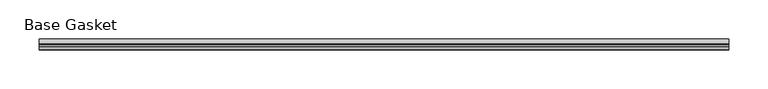
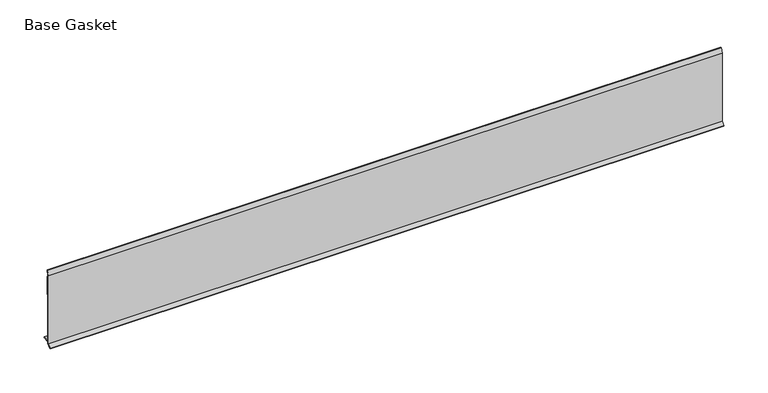
"""IFC4 building model written with IfcOpenShell, lengths in millimetres: furniture geometry, Base Gasket."""

import ifcopenshell
import ifcopenshell.guid

model = None  # the IFC model being written
_history = None  # IfcOwnerHistory: only IFC2X3 demands one
_inside = {}  # id of a spatial element -> (the spatial element, [elements in it])
_under = {}  # id of a project, library or spatial element -> (it, [spatial elements below it])
_declared = {}  # id of a project -> (the project, [libraries it declares])
_typed = {}  # id of a type object -> (the type object, [elements of that type])
_made_of = {}  # id of a material, layer set ... -> (it, [elements and type objects made of it])


def new_model(schema):
    """Start an empty IFC model of exactly this schema.

    Asked for "IFC4X3", IfcOpenShell would pick the latest addendum, in which some entities
    have other attributes; the version numbers below select the first issue.
    IFC2X3 requires an IfcOwnerHistory on every rooted entity: one is made here for all.
    """
    global model, _history
    if schema == "IFC4X3":
        model = ifcopenshell.file(schema_version=(4, 3, 0, 0))
    else:
        model = ifcopenshell.file(schema=schema)
    _inside.clear()
    _under.clear()
    _declared.clear()
    _typed.clear()
    _made_of.clear()
    _history = None
    if model.schema == "IFC2X3":
        org = make("IfcOrganization", Name="unknown")
        user = make(
            "IfcPersonAndOrganization",
            ThePerson=make("IfcPerson", FamilyName="unknown"),
            TheOrganization=org,
        )
        app = make(
            "IfcApplication",
            ApplicationDeveloper=org,
            Version="unknown",
            ApplicationFullName="unknown",
            ApplicationIdentifier="unknown",
        )
        _history = make(
            "IfcOwnerHistory",
            OwningUser=user,
            OwningApplication=app,
            ChangeAction="ADDED",
            CreationDate=0,
        )
    return model


def make(cls, **values):
    """One entity of the class cls with the attributes given. An attribute that is None is left unset."""
    return model.create_entity(
        cls, **{name: value for name, value in values.items() if value is not None}
    )


def rooted(cls, **values):
    """An entity with a GlobalId (a new one), such as an element, a storey or a relation."""
    return make(cls, GlobalId=ifcopenshell.guid.new(), OwnerHistory=_history, **values)


def si_unit(unit_type, name, prefix=None):
    """IfcSIUnit, for example si_unit("LENGTHUNIT", "METRE", prefix="MILLI")."""
    return make("IfcSIUnit", UnitType=unit_type, Prefix=prefix, Name=name)


def assignment(units):
    """IfcUnitAssignment: the units of a project."""
    return None if units is None else make("IfcUnitAssignment", Units=units)


def point(xyz):
    """IfcCartesianPoint."""
    return None if xyz is None else make("IfcCartesianPoint", Coordinates=xyz)


def direction(xyz):
    """IfcDirection."""
    return None if xyz is None else make("IfcDirection", DirectionRatios=xyz)


def frame(location, z_axis=None, x_axis=None):
    """IfcAxis2Placement3D, a coordinate frame: its origin and axes. An axis left out is left unset."""
    return make(
        "IfcAxis2Placement3D",
        Location=point(location),
        Axis=direction(z_axis),
        RefDirection=direction(x_axis),
    )


def origin():
    """The frame at (0, 0, 0) with its axes left unset."""
    return frame((0.0, 0.0, 0.0))


def place(relative_to, where):
    """IfcLocalPlacement: puts the frame where relative to a parent placement (None: the world)."""
    return make(
        "IfcLocalPlacement", PlacementRelTo=relative_to, RelativePlacement=where
    )


def context(
    kind, dimensions, precision=None, world=None, true_north=None, identifier=None
):
    """IfcGeometricRepresentationContext, for example the 3D "Model" context."""
    return make(
        "IfcGeometricRepresentationContext",
        ContextIdentifier=identifier,
        ContextType=kind,
        CoordinateSpaceDimension=dimensions,
        Precision=precision,
        WorldCoordinateSystem=world,
        TrueNorth=true_north,
    )


def project(units=None, contexts=None):
    """IfcProject with its units and contexts."""
    return rooted(
        "IfcProject",
        Name="project",
        RepresentationContexts=contexts,
        UnitsInContext=assignment(units),
    )


def spatial(cls, under=None, at=None, **own):
    """A site, building, storey or space (cls), placed at a placement, below another one or the project."""
    s = rooted(cls, ObjectPlacement=at, **own)
    if under is not None:
        _under.setdefault(under.id(), (under, []))[1].append(s)
    return s


def polyline(points):
    """IfcPolyline through the points."""
    return make("IfcPolyline", Points=[point(p) for p in points])


def outline(outer, holes=None, kind="AREA"):
    """IfcArbitraryClosedProfileDef: a profile drawn as a closed curve; with holes, ...WithVoids."""
    if holes is None:
        return make("IfcArbitraryClosedProfileDef", ProfileType=kind, OuterCurve=outer)
    return make(
        "IfcArbitraryProfileDefWithVoids",
        ProfileType=kind,
        OuterCurve=outer,
        InnerCurves=holes,
    )


def extrude(swept, where, along, depth):
    """IfcExtrudedAreaSolid: the profile swept, set in the frame where, extruded along a direction by depth."""
    return make(
        "IfcExtrudedAreaSolid",
        SweptArea=swept,
        Position=where,
        ExtrudedDirection=direction(along),
        Depth=depth,
    )


def shape(context_of_items, identifier, shape_type, items):
    """IfcShapeRepresentation: the items that make up one representation, for example the "Body"."""
    return make(
        "IfcShapeRepresentation",
        ContextOfItems=context_of_items,
        RepresentationIdentifier=identifier,
        RepresentationType=shape_type,
        Items=items,
    )


def source(mapping_origin, context_of_items, identifier, shape_type, items):
    """IfcRepresentationMap: a shape defined once, which mapped items show again and again."""
    return make(
        "IfcRepresentationMap",
        MappingOrigin=mapping_origin,
        MappedRepresentation=shape(context_of_items, identifier, shape_type, items),
    )


def transform(
    local_origin,
    x_axis=None,
    y_axis=None,
    z_axis=None,
    scale=None,
    scale2=None,
    scale3=None,
    uniform=True,
):
    """IfcCartesianTransformationOperator3D, or its non-uniform kind. x_axis, y_axis, z_axis: its Axis1, 2, 3."""
    if uniform:
        return make(
            "IfcCartesianTransformationOperator3D",
            Axis1=direction(x_axis),
            Axis2=direction(y_axis),
            LocalOrigin=point(local_origin),
            Scale=scale,
            Axis3=direction(z_axis),
        )
    return make(
        "IfcCartesianTransformationOperator3DnonUniform",
        Axis1=direction(x_axis),
        Axis2=direction(y_axis),
        LocalOrigin=point(local_origin),
        Scale=scale,
        Axis3=direction(z_axis),
        Scale2=scale2,
        Scale3=scale3,
    )


def mapped(mapping_source, mapping_target):
    """IfcMappedItem: shows the shape of a source again, moved by a transform."""
    return make(
        "IfcMappedItem", MappingSource=mapping_source, MappingTarget=mapping_target
    )


def made_of(thing, what):
    """Note that an element or type object is made of a material, layer set ...; save() writes the relation."""
    if what is not None:
        _made_of.setdefault(what.id(), (what, []))[1].append(thing)
    return thing


def element(
    cls,
    number,
    at=None,
    inside=None,
    cuts=None,
    type_object=None,
    material=None,
    context=None,
    identifier="Body",
    shape_type=None,
    held_by="IfcProductDefinitionShape",
    body=None,
    shapes=None,
    **own,
):
    """One element of the class cls, such as IfcWall. Its Tag is "e" and its number.

    at: its placement. inside: the storey or other place that contains it. cuts: it is an
    opening in that element (IfcRelVoidsElement). A single representation is given by context,
    identifier, shape_type and body (its items); several are given by shapes. held_by: the class
    of the entity that holds the representations. save() writes the other relations.
    """
    e = rooted(cls, Tag="e%d" % number, ObjectPlacement=at, **own)
    if body is not None:
        shapes = [shape(context, identifier, shape_type, body)]
    if shapes is not None:
        e.Representation = make(held_by, Representations=shapes)
    if inside is not None:
        _inside.setdefault(inside.id(), (inside, []))[1].append(e)
    if cuts is not None:
        rooted(
            "IfcRelVoidsElement", RelatingBuildingElement=cuts, RelatedOpeningElement=e
        )
    if type_object is not None:
        _typed.setdefault(type_object.id(), (type_object, []))[1].append(e)
    return made_of(e, material)


def aggregate(whole, parts):
    """IfcRelAggregates: a whole, such as a stair, and the parts it consists of."""
    return rooted("IfcRelAggregates", RelatingObject=whole, RelatedObjects=parts)


def save(model, path):
    """Write the relations noted so far, then the file.

    IfcRelAggregates (storeys below a building ...), IfcRelContainedInSpatialStructure (elements
    in a storey), IfcRelDefinesByType, IfcRelAssociatesMaterial and IfcRelDeclares: one each for
    every whole, place, type object, material and project.
    """
    for whole, parts in _under.values():
        aggregate(whole, parts)
    for where, things in _inside.values():
        rooted(
            "IfcRelContainedInSpatialStructure",
            RelatedElements=things,
            RelatingStructure=where,
        )
    for kind, things in _typed.values():
        rooted("IfcRelDefinesByType", RelatedObjects=things, RelatingType=kind)
    for what, things in _made_of.values():
        rooted("IfcRelAssociatesMaterial", RelatedObjects=things, RelatingMaterial=what)
    for by, libraries in _declared.values():
        rooted("IfcRelDeclares", RelatingContext=by, RelatedDefinitions=libraries)
    model.write(path)


def base_gasket_ad156c7d(model_context):
    return source(origin(), model_context, "Body", "SweptSolid", [
        extrude(outline(polyline([(-3.7283812, 98.4568417), (-1.1891543, 104.587663), (-0.6755308, 105.2002997), (-0.6755308, 104.4162708), (-2.2043812, 98.4568417), (-2.2043812, 96.8693477), (-1.4106313, 96.8693477), (-1.4106313, 71.4693447), (-2.2043812, 71.4693447), (-2.2043812, 7.9398773), (6.2405171, 7.9398773), (6.2405171, 6.3818476), (-2.1334222, 6.3818476), (-2.2043812, 4.3498477), (-6.8281054, 0.3520979), (-7.8482342, 0.0), (-7.4222115, 0.6560174), (-3.7283812, 4.3498477), (-3.7283812, 98.4568417)])), frame((-1527.8982117, 0.0, 0.0), z_axis=(1.0, 0.0, 0.0), x_axis=(0.0, 1.0, 0.0)), (0.0, 0.0, 1.0), 882.7691795),
    ])


if __name__ == "__main__":
    model = new_model("IFC4")
    model_context = context("Model", 3, world=origin())
    ifc_project = project(units=[si_unit("LENGTHUNIT", "METRE", prefix="MILLI")], contexts=[model_context])
    site = spatial("IfcSite", under=ifc_project)
    building = spatial("IfcBuilding", under=site)
    placement = place(None, origin())
    base_gasket_shape = base_gasket_ad156c7d(model_context)
    element("IfcFurniture", 1, ObjectType="Base Gasket", at=placement, inside=building, context=model_context, shape_type="MappedRepresentation", body=[
        mapped(base_gasket_shape, transform((0.0, 0.0, 0.0), x_axis=(1.0, 0.0, 0.0), y_axis=(0.0, 1.0, 0.0), z_axis=(0.0, 0.0, 1.0))),
    ])
    save(model, "model.ifc")
